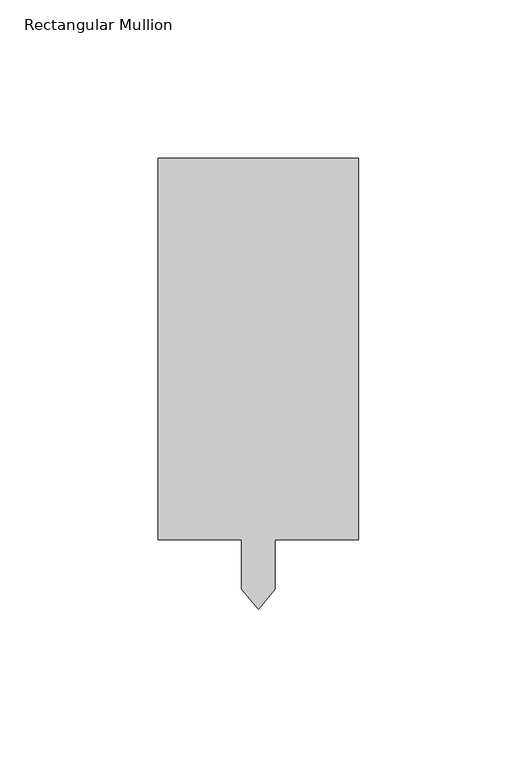
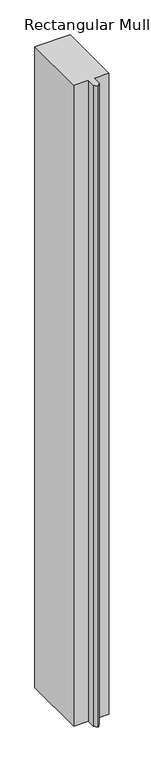
"""IFC4 building model written with IfcOpenShell, lengths in millimetres: member geometry, Rectangular Mullion."""

import ifcopenshell
import ifcopenshell.guid

model = None  # the IFC model being written
_history = None  # IfcOwnerHistory: only IFC2X3 demands one
_inside = {}  # id of a spatial element -> (the spatial element, [elements in it])
_under = {}  # id of a project, library or spatial element -> (it, [spatial elements below it])
_declared = {}  # id of a project -> (the project, [libraries it declares])
_typed = {}  # id of a type object -> (the type object, [elements of that type])
_made_of = {}  # id of a material, layer set ... -> (it, [elements and type objects made of it])


def new_model(schema):
    """Start an empty IFC model of exactly this schema.

    Asked for "IFC4X3", IfcOpenShell would pick the latest addendum, in which some entities
    have other attributes; the version numbers below select the first issue.
    IFC2X3 requires an IfcOwnerHistory on every rooted entity: one is made here for all.
    """
    global model, _history
    if schema == "IFC4X3":
        model = ifcopenshell.file(schema_version=(4, 3, 0, 0))
    else:
        model = ifcopenshell.file(schema=schema)
    _inside.clear()
    _under.clear()
    _declared.clear()
    _typed.clear()
    _made_of.clear()
    _history = None
    if model.schema == "IFC2X3":
        org = make("IfcOrganization", Name="unknown")
        user = make(
            "IfcPersonAndOrganization",
            ThePerson=make("IfcPerson", FamilyName="unknown"),
            TheOrganization=org,
        )
        app = make(
            "IfcApplication",
            ApplicationDeveloper=org,
            Version="unknown",
            ApplicationFullName="unknown",
            ApplicationIdentifier="unknown",
        )
        _history = make(
            "IfcOwnerHistory",
            OwningUser=user,
            OwningApplication=app,
            ChangeAction="ADDED",
            CreationDate=0,
        )
    return model


def make(cls, **values):
    """One entity of the class cls with the attributes given. An attribute that is None is left unset."""
    return model.create_entity(
        cls, **{name: value for name, value in values.items() if value is not None}
    )


def rooted(cls, **values):
    """An entity with a GlobalId (a new one), such as an element, a storey or a relation."""
    return make(cls, GlobalId=ifcopenshell.guid.new(), OwnerHistory=_history, **values)


def si_unit(unit_type, name, prefix=None):
    """IfcSIUnit, for example si_unit("LENGTHUNIT", "METRE", prefix="MILLI")."""
    return make("IfcSIUnit", UnitType=unit_type, Prefix=prefix, Name=name)


def assignment(units):
    """IfcUnitAssignment: the units of a project."""
    return None if units is None else make("IfcUnitAssignment", Units=units)


def point(xyz):
    """IfcCartesianPoint."""
    return None if xyz is None else make("IfcCartesianPoint", Coordinates=xyz)


def direction(xyz):
    """IfcDirection."""
    return None if xyz is None else make("IfcDirection", DirectionRatios=xyz)


def frame(location, z_axis=None, x_axis=None):
    """IfcAxis2Placement3D, a coordinate frame: its origin and axes. An axis left out is left unset."""
    return make(
        "IfcAxis2Placement3D",
        Location=point(location),
        Axis=direction(z_axis),
        RefDirection=direction(x_axis),
    )


def origin():
    """The frame at (0, 0, 0) with its axes left unset."""
    return frame((0.0, 0.0, 0.0))


def place(relative_to, where):
    """IfcLocalPlacement: puts the frame where relative to a parent placement (None: the world)."""
    return make(
        "IfcLocalPlacement", PlacementRelTo=relative_to, RelativePlacement=where
    )


def context(
    kind, dimensions, precision=None, world=None, true_north=None, identifier=None
):
    """IfcGeometricRepresentationContext, for example the 3D "Model" context."""
    return make(
        "IfcGeometricRepresentationContext",
        ContextIdentifier=identifier,
        ContextType=kind,
        CoordinateSpaceDimension=dimensions,
        Precision=precision,
        WorldCoordinateSystem=world,
        TrueNorth=true_north,
    )


def project(units=None, contexts=None):
    """IfcProject with its units and contexts."""
    return rooted(
        "IfcProject",
        Name="project",
        RepresentationContexts=contexts,
        UnitsInContext=assignment(units),
    )


def spatial(cls, under=None, at=None, **own):
    """A site, building, storey or space (cls), placed at a placement, below another one or the project."""
    s = rooted(cls, ObjectPlacement=at, **own)
    if under is not None:
        _under.setdefault(under.id(), (under, []))[1].append(s)
    return s


def polyline(points):
    """IfcPolyline through the points."""
    return make("IfcPolyline", Points=[point(p) for p in points])


def outline(outer, holes=None, kind="AREA"):
    """IfcArbitraryClosedProfileDef: a profile drawn as a closed curve; with holes, ...WithVoids."""
    if holes is None:
        return make("IfcArbitraryClosedProfileDef", ProfileType=kind, OuterCurve=outer)
    return make(
        "IfcArbitraryProfileDefWithVoids",
        ProfileType=kind,
        OuterCurve=outer,
        InnerCurves=holes,
    )


def extrude(swept, where, along, depth):
    """IfcExtrudedAreaSolid: the profile swept, set in the frame where, extruded along a direction by depth."""
    return make(
        "IfcExtrudedAreaSolid",
        SweptArea=swept,
        Position=where,
        ExtrudedDirection=direction(along),
        Depth=depth,
    )


def shape(context_of_items, identifier, shape_type, items):
    """IfcShapeRepresentation: the items that make up one representation, for example the "Body"."""
    return make(
        "IfcShapeRepresentation",
        ContextOfItems=context_of_items,
        RepresentationIdentifier=identifier,
        RepresentationType=shape_type,
        Items=items,
    )


def source(mapping_origin, context_of_items, identifier, shape_type, items):
    """IfcRepresentationMap: a shape defined once, which mapped items show again and again."""
    return make(
        "IfcRepresentationMap",
        MappingOrigin=mapping_origin,
        MappedRepresentation=shape(context_of_items, identifier, shape_type, items),
    )


def transform(
    local_origin,
    x_axis=None,
    y_axis=None,
    z_axis=None,
    scale=None,
    scale2=None,
    scale3=None,
    uniform=True,
):
    """IfcCartesianTransformationOperator3D, or its non-uniform kind. x_axis, y_axis, z_axis: its Axis1, 2, 3."""
    if uniform:
        return make(
            "IfcCartesianTransformationOperator3D",
            Axis1=direction(x_axis),
            Axis2=direction(y_axis),
            LocalOrigin=point(local_origin),
            Scale=scale,
            Axis3=direction(z_axis),
        )
    return make(
        "IfcCartesianTransformationOperator3DnonUniform",
        Axis1=direction(x_axis),
        Axis2=direction(y_axis),
        LocalOrigin=point(local_origin),
        Scale=scale,
        Axis3=direction(z_axis),
        Scale2=scale2,
        Scale3=scale3,
    )


def mapped(mapping_source, mapping_target):
    """IfcMappedItem: shows the shape of a source again, moved by a transform."""
    return make(
        "IfcMappedItem", MappingSource=mapping_source, MappingTarget=mapping_target
    )


def made_of(thing, what):
    """Note that an element or type object is made of a material, layer set ...; save() writes the relation."""
    if what is not None:
        _made_of.setdefault(what.id(), (what, []))[1].append(thing)
    return thing


def element(
    cls,
    number,
    at=None,
    inside=None,
    cuts=None,
    type_object=None,
    material=None,
    context=None,
    identifier="Body",
    shape_type=None,
    held_by="IfcProductDefinitionShape",
    body=None,
    shapes=None,
    **own,
):
    """One element of the class cls, such as IfcWall. Its Tag is "e" and its number.

    at: its placement. inside: the storey or other place that contains it. cuts: it is an
    opening in that element (IfcRelVoidsElement). A single representation is given by context,
    identifier, shape_type and body (its items); several are given by shapes. held_by: the class
    of the entity that holds the representations. save() writes the other relations.
    """
    e = rooted(cls, Tag="e%d" % number, ObjectPlacement=at, **own)
    if body is not None:
        shapes = [shape(context, identifier, shape_type, body)]
    if shapes is not None:
        e.Representation = make(held_by, Representations=shapes)
    if inside is not None:
        _inside.setdefault(inside.id(), (inside, []))[1].append(e)
    if cuts is not None:
        rooted(
            "IfcRelVoidsElement", RelatingBuildingElement=cuts, RelatedOpeningElement=e
        )
    if type_object is not None:
        _typed.setdefault(type_object.id(), (type_object, []))[1].append(e)
    return made_of(e, material)


def aggregate(whole, parts):
    """IfcRelAggregates: a whole, such as a stair, and the parts it consists of."""
    return rooted("IfcRelAggregates", RelatingObject=whole, RelatedObjects=parts)


def save(model, path):
    """Write the relations noted so far, then the file.

    IfcRelAggregates (storeys below a building ...), IfcRelContainedInSpatialStructure (elements
    in a storey), IfcRelDefinesByType, IfcRelAssociatesMaterial and IfcRelDeclares: one each for
    every whole, place, type object, material and project.
    """
    for whole, parts in _under.values():
        aggregate(whole, parts)
    for where, things in _inside.values():
        rooted(
            "IfcRelContainedInSpatialStructure",
            RelatedElements=things,
            RelatingStructure=where,
        )
    for kind, things in _typed.values():
        rooted("IfcRelDefinesByType", RelatedObjects=things, RelatingType=kind)
    for what, things in _made_of.values():
        rooted("IfcRelAssociatesMaterial", RelatedObjects=things, RelatingMaterial=what)
    for by, libraries in _declared.values():
        rooted("IfcRelDeclares", RelatingContext=by, RelatedDefinitions=libraries)
    model.write(path)


def rectangular_mullion_239d2c5f(model_context):
    return source(origin(), model_context, "Body", "SweptSolid", [
        extrude(outline(polyline([(31.75, 152.4), (31.75, 31.75), (5.3213, 31.75), (5.3213, 16.0811808), (0.0, 9.7395025), (-5.3213, 16.0811808), (-5.3213, 31.75), (-31.75, 31.75), (-31.75, 152.4), (31.75, 152.4)])), frame((0.0, 0.0, -1219.2), z_axis=(0.0, 0.0, 1.0), x_axis=(1.0, 0.0, 0.0)), (0.0, 0.0, 1.0), 1219.2),
    ])


if __name__ == "__main__":
    model = new_model("IFC4")
    model_context = context("Model", 3, world=origin())
    ifc_project = project(units=[si_unit("LENGTHUNIT", "METRE", prefix="MILLI")], contexts=[model_context])
    site = spatial("IfcSite", under=ifc_project)
    building = spatial("IfcBuilding", under=site)
    placement = place(None, origin())
    rectangular_mullion_shape = rectangular_mullion_239d2c5f(model_context)
    element("IfcMember", 1, ObjectType="Rectangular Mullion", at=placement, inside=building, context=model_context, shape_type="MappedRepresentation", body=[
        mapped(rectangular_mullion_shape, transform((0.0, 0.0, 0.0), x_axis=(1.0, 0.0, 0.0), y_axis=(0.0, 1.0, 0.0), z_axis=(0.0, 0.0, 1.0))),
    ])
    save(model, "model.ifc")
